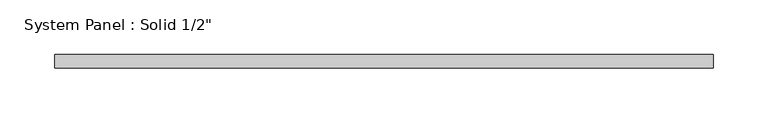
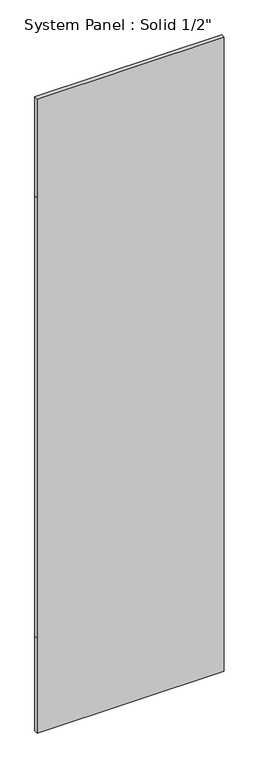
"""IFC4 building model written with IfcOpenShell, lengths in millimetres: plate geometry."""

from ifc_helpers import new_model, si_unit, frame, origin, place, context, project, spatial, polyline, outline, extrude, source, transform, mapped, element, save


def plate_80cdacdf(model_context):
    return source(origin(), model_context, "Body", "SweptSolid", [
        extrude(outline(polyline([(0.0, -301.625), (0.0, 301.625), (323.85, 301.625), (1822.45, 301.625), (2159.0, 301.625), (2159.0, -301.625), (1822.45, -301.625), (323.85, -301.625), (0.0, -301.625)])), frame((0.0, -6.35, 0.0), z_axis=(0.0, 1.0, 0.0), x_axis=(0.0, 0.0, 1.0)), (0.0, 0.0, 1.0), 12.7),
    ])


if __name__ == "__main__":
    model = new_model("IFC4")
    model_context = context("Model", 3, world=origin())
    ifc_project = project(units=[si_unit("LENGTHUNIT", "METRE", prefix="MILLI")], contexts=[model_context])
    site = spatial("IfcSite", under=ifc_project)
    building = spatial("IfcBuilding", under=site)
    placement = place(None, origin())
    plate_shape = plate_80cdacdf(model_context)
    element("IfcPlate", 1, ObjectType="System Panel : Solid 1/2\"", at=placement, inside=building, context=model_context, shape_type="MappedRepresentation", body=[
        mapped(plate_shape, transform((0.0, 0.0, 0.0), x_axis=(1.0, 0.0, 0.0), y_axis=(0.0, 1.0, 0.0), z_axis=(0.0, 0.0, 1.0))),
    ])
    save(model, "model.ifc")
